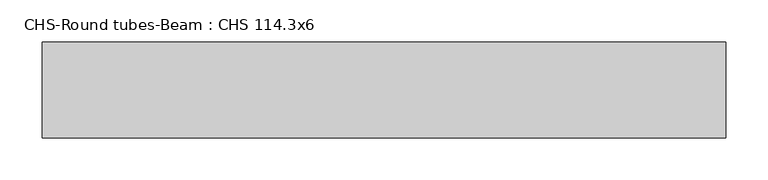
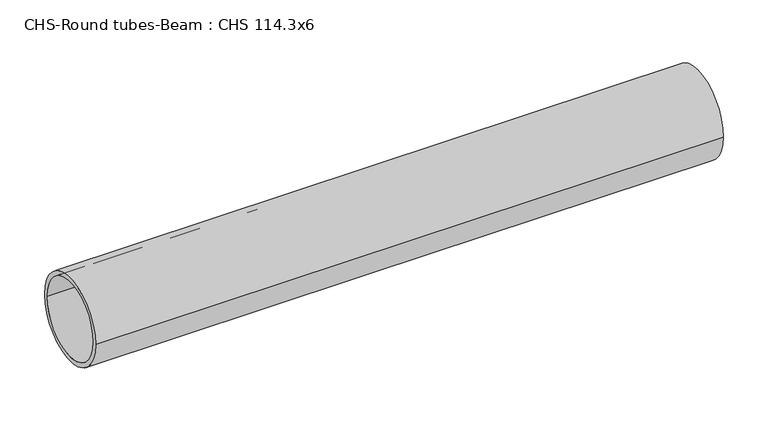
"""IFC4 building model written with IfcOpenShell, lengths in millimetres: beam geometry, CHS-Round tubes-Beam : CHS 114.3x6."""

import ifcopenshell
import ifcopenshell.guid

model = None  # the IFC model being written
_history = None  # IfcOwnerHistory: only IFC2X3 demands one
_inside = {}  # id of a spatial element -> (the spatial element, [elements in it])
_under = {}  # id of a project, library or spatial element -> (it, [spatial elements below it])
_declared = {}  # id of a project -> (the project, [libraries it declares])
_typed = {}  # id of a type object -> (the type object, [elements of that type])
_made_of = {}  # id of a material, layer set ... -> (it, [elements and type objects made of it])


def new_model(schema):
    """Start an empty IFC model of exactly this schema.

    Asked for "IFC4X3", IfcOpenShell would pick the latest addendum, in which some entities
    have other attributes; the version numbers below select the first issue.
    IFC2X3 requires an IfcOwnerHistory on every rooted entity: one is made here for all.
    """
    global model, _history
    if schema == "IFC4X3":
        model = ifcopenshell.file(schema_version=(4, 3, 0, 0))
    else:
        model = ifcopenshell.file(schema=schema)
    _inside.clear()
    _under.clear()
    _declared.clear()
    _typed.clear()
    _made_of.clear()
    _history = None
    if model.schema == "IFC2X3":
        org = make("IfcOrganization", Name="unknown")
        user = make(
            "IfcPersonAndOrganization",
            ThePerson=make("IfcPerson", FamilyName="unknown"),
            TheOrganization=org,
        )
        app = make(
            "IfcApplication",
            ApplicationDeveloper=org,
            Version="unknown",
            ApplicationFullName="unknown",
            ApplicationIdentifier="unknown",
        )
        _history = make(
            "IfcOwnerHistory",
            OwningUser=user,
            OwningApplication=app,
            ChangeAction="ADDED",
            CreationDate=0,
        )
    return model


def make(cls, **values):
    """One entity of the class cls with the attributes given. An attribute that is None is left unset."""
    return model.create_entity(
        cls, **{name: value for name, value in values.items() if value is not None}
    )


def rooted(cls, **values):
    """An entity with a GlobalId (a new one), such as an element, a storey or a relation."""
    return make(cls, GlobalId=ifcopenshell.guid.new(), OwnerHistory=_history, **values)


def si_unit(unit_type, name, prefix=None):
    """IfcSIUnit, for example si_unit("LENGTHUNIT", "METRE", prefix="MILLI")."""
    return make("IfcSIUnit", UnitType=unit_type, Prefix=prefix, Name=name)


def assignment(units):
    """IfcUnitAssignment: the units of a project."""
    return None if units is None else make("IfcUnitAssignment", Units=units)


def point(xyz):
    """IfcCartesianPoint."""
    return None if xyz is None else make("IfcCartesianPoint", Coordinates=xyz)


def direction(xyz):
    """IfcDirection."""
    return None if xyz is None else make("IfcDirection", DirectionRatios=xyz)


def frame(location, z_axis=None, x_axis=None):
    """IfcAxis2Placement3D, a coordinate frame: its origin and axes. An axis left out is left unset."""
    return make(
        "IfcAxis2Placement3D",
        Location=point(location),
        Axis=direction(z_axis),
        RefDirection=direction(x_axis),
    )


def frame_2d(location, x_axis=None):
    """IfcAxis2Placement2D, a coordinate frame in the plane: its origin and x axis."""
    return make(
        "IfcAxis2Placement2D", Location=point(location), RefDirection=direction(x_axis)
    )


def origin():
    """The frame at (0, 0, 0) with its axes left unset."""
    return frame((0.0, 0.0, 0.0))


def origin_2d():
    """The frame at (0, 0) in the plane with its x axis left unset."""
    return frame_2d((0.0, 0.0))


def place(relative_to, where):
    """IfcLocalPlacement: puts the frame where relative to a parent placement (None: the world)."""
    return make(
        "IfcLocalPlacement", PlacementRelTo=relative_to, RelativePlacement=where
    )


def context(
    kind, dimensions, precision=None, world=None, true_north=None, identifier=None
):
    """IfcGeometricRepresentationContext, for example the 3D "Model" context."""
    return make(
        "IfcGeometricRepresentationContext",
        ContextIdentifier=identifier,
        ContextType=kind,
        CoordinateSpaceDimension=dimensions,
        Precision=precision,
        WorldCoordinateSystem=world,
        TrueNorth=true_north,
    )


def project(units=None, contexts=None):
    """IfcProject with its units and contexts."""
    return rooted(
        "IfcProject",
        Name="project",
        RepresentationContexts=contexts,
        UnitsInContext=assignment(units),
    )


def spatial(cls, under=None, at=None, **own):
    """A site, building, storey or space (cls), placed at a placement, below another one or the project."""
    s = rooted(cls, ObjectPlacement=at, **own)
    if under is not None:
        _under.setdefault(under.id(), (under, []))[1].append(s)
    return s


def circle_curve(where, radius):
    """IfcCircle in the frame where."""
    return make("IfcCircle", Position=where, Radius=radius)


def trimmed(basis, trim1, trim2, sense, master):
    """IfcTrimmedCurve: the piece of a basis curve between two trims."""
    return make(
        "IfcTrimmedCurve",
        BasisCurve=basis,
        Trim1=trim1,
        Trim2=trim2,
        SenseAgreement=sense,
        MasterRepresentation=master,
    )


def segment(curve, same_sense, transition):
    """IfcCompositeCurveSegment."""
    return make(
        "IfcCompositeCurveSegment",
        Transition=transition,
        SameSense=same_sense,
        ParentCurve=curve,
    )


def composite_curve(segments, self_intersect=None):
    """IfcCompositeCurve: segments joined end to end."""
    return make("IfcCompositeCurve", Segments=segments, SelfIntersect=self_intersect)


def outline(outer, holes=None, kind="AREA"):
    """IfcArbitraryClosedProfileDef: a profile drawn as a closed curve; with holes, ...WithVoids."""
    if holes is None:
        return make("IfcArbitraryClosedProfileDef", ProfileType=kind, OuterCurve=outer)
    return make(
        "IfcArbitraryProfileDefWithVoids",
        ProfileType=kind,
        OuterCurve=outer,
        InnerCurves=holes,
    )


def extrude(swept, where, along, depth):
    """IfcExtrudedAreaSolid: the profile swept, set in the frame where, extruded along a direction by depth."""
    return make(
        "IfcExtrudedAreaSolid",
        SweptArea=swept,
        Position=where,
        ExtrudedDirection=direction(along),
        Depth=depth,
    )


def shape(context_of_items, identifier, shape_type, items):
    """IfcShapeRepresentation: the items that make up one representation, for example the "Body"."""
    return make(
        "IfcShapeRepresentation",
        ContextOfItems=context_of_items,
        RepresentationIdentifier=identifier,
        RepresentationType=shape_type,
        Items=items,
    )


def source(mapping_origin, context_of_items, identifier, shape_type, items):
    """IfcRepresentationMap: a shape defined once, which mapped items show again and again."""
    return make(
        "IfcRepresentationMap",
        MappingOrigin=mapping_origin,
        MappedRepresentation=shape(context_of_items, identifier, shape_type, items),
    )


def transform(
    local_origin,
    x_axis=None,
    y_axis=None,
    z_axis=None,
    scale=None,
    scale2=None,
    scale3=None,
    uniform=True,
):
    """IfcCartesianTransformationOperator3D, or its non-uniform kind. x_axis, y_axis, z_axis: its Axis1, 2, 3."""
    if uniform:
        return make(
            "IfcCartesianTransformationOperator3D",
            Axis1=direction(x_axis),
            Axis2=direction(y_axis),
            LocalOrigin=point(local_origin),
            Scale=scale,
            Axis3=direction(z_axis),
        )
    return make(
        "IfcCartesianTransformationOperator3DnonUniform",
        Axis1=direction(x_axis),
        Axis2=direction(y_axis),
        LocalOrigin=point(local_origin),
        Scale=scale,
        Axis3=direction(z_axis),
        Scale2=scale2,
        Scale3=scale3,
    )


def mapped(mapping_source, mapping_target):
    """IfcMappedItem: shows the shape of a source again, moved by a transform."""
    return make(
        "IfcMappedItem", MappingSource=mapping_source, MappingTarget=mapping_target
    )


def made_of(thing, what):
    """Note that an element or type object is made of a material, layer set ...; save() writes the relation."""
    if what is not None:
        _made_of.setdefault(what.id(), (what, []))[1].append(thing)
    return thing


def element(
    cls,
    number,
    at=None,
    inside=None,
    cuts=None,
    type_object=None,
    material=None,
    context=None,
    identifier="Body",
    shape_type=None,
    held_by="IfcProductDefinitionShape",
    body=None,
    shapes=None,
    **own,
):
    """One element of the class cls, such as IfcWall. Its Tag is "e" and its number.

    at: its placement. inside: the storey or other place that contains it. cuts: it is an
    opening in that element (IfcRelVoidsElement). A single representation is given by context,
    identifier, shape_type and body (its items); several are given by shapes. held_by: the class
    of the entity that holds the representations. save() writes the other relations.
    """
    e = rooted(cls, Tag="e%d" % number, ObjectPlacement=at, **own)
    if body is not None:
        shapes = [shape(context, identifier, shape_type, body)]
    if shapes is not None:
        e.Representation = make(held_by, Representations=shapes)
    if inside is not None:
        _inside.setdefault(inside.id(), (inside, []))[1].append(e)
    if cuts is not None:
        rooted(
            "IfcRelVoidsElement", RelatingBuildingElement=cuts, RelatedOpeningElement=e
        )
    if type_object is not None:
        _typed.setdefault(type_object.id(), (type_object, []))[1].append(e)
    return made_of(e, material)


def aggregate(whole, parts):
    """IfcRelAggregates: a whole, such as a stair, and the parts it consists of."""
    return rooted("IfcRelAggregates", RelatingObject=whole, RelatedObjects=parts)


def save(model, path):
    """Write the relations noted so far, then the file.

    IfcRelAggregates (storeys below a building ...), IfcRelContainedInSpatialStructure (elements
    in a storey), IfcRelDefinesByType, IfcRelAssociatesMaterial and IfcRelDeclares: one each for
    every whole, place, type object, material and project.
    """
    for whole, parts in _under.values():
        aggregate(whole, parts)
    for where, things in _inside.values():
        rooted(
            "IfcRelContainedInSpatialStructure",
            RelatedElements=things,
            RelatingStructure=where,
        )
    for kind, things in _typed.values():
        rooted("IfcRelDefinesByType", RelatedObjects=things, RelatingType=kind)
    for what, things in _made_of.values():
        rooted("IfcRelAssociatesMaterial", RelatedObjects=things, RelatingMaterial=what)
    for by, libraries in _declared.values():
        rooted("IfcRelDeclares", RelatingContext=by, RelatedDefinitions=libraries)
    model.write(path)


def chs_round_tubes_beam_chs_114_3x6_94ca3c1c(model_context):
    return source(origin(), model_context, "Body", "SweptSolid", [
        extrude(outline(composite_curve([segment(trimmed(circle_curve(origin_2d(), 57.15), [point((57.15, 0.0))], [point((-57.15, 0.0))], False, "CARTESIAN"), True, "CONTINUOUS"), segment(trimmed(circle_curve(origin_2d(), 57.15), [point((-57.15, 0.0))], [point((57.15, 0.0))], False, "CARTESIAN"), True, "CONTINUOUS")], self_intersect=False), holes=[composite_curve([segment(trimmed(circle_curve(origin_2d(), 51.15), [point((51.15, 0.0))], [point((-51.15, 0.0))], True, "CARTESIAN"), True, "CONTINUOUS"), segment(trimmed(circle_curve(origin_2d(), 51.15), [point((-51.15, 0.0))], [point((51.15, 0.0))], True, "CARTESIAN"), True, "CONTINUOUS")], self_intersect=False)]), frame((-411.8586948, 0.0, 0.0), z_axis=(1.0, 0.0, 0.0), x_axis=(0.0, 1.0, 0.0)), (0.0, 0.0, 1.0), 812.5268704),
    ])


if __name__ == "__main__":
    model = new_model("IFC4")
    model_context = context("Model", 3, world=origin())
    ifc_project = project(units=[si_unit("LENGTHUNIT", "METRE", prefix="MILLI")], contexts=[model_context])
    site = spatial("IfcSite", under=ifc_project)
    building = spatial("IfcBuilding", under=site)
    placement = place(None, origin())
    chs_round_tubes_beam_chs_114_3x6_shape = chs_round_tubes_beam_chs_114_3x6_94ca3c1c(model_context)
    element("IfcBeam", 1, ObjectType="CHS-Round tubes-Beam : CHS 114.3x6", at=placement, inside=building, context=model_context, shape_type="MappedRepresentation", body=[
        mapped(chs_round_tubes_beam_chs_114_3x6_shape, transform((0.0, 0.0, 0.0), x_axis=(1.0, 0.0, 0.0), y_axis=(0.0, 1.0, 0.0), z_axis=(0.0, 0.0, 1.0))),
    ])
    save(model, "model.ifc")
